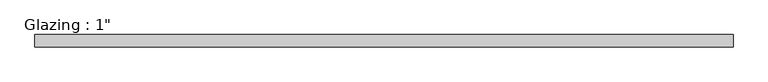
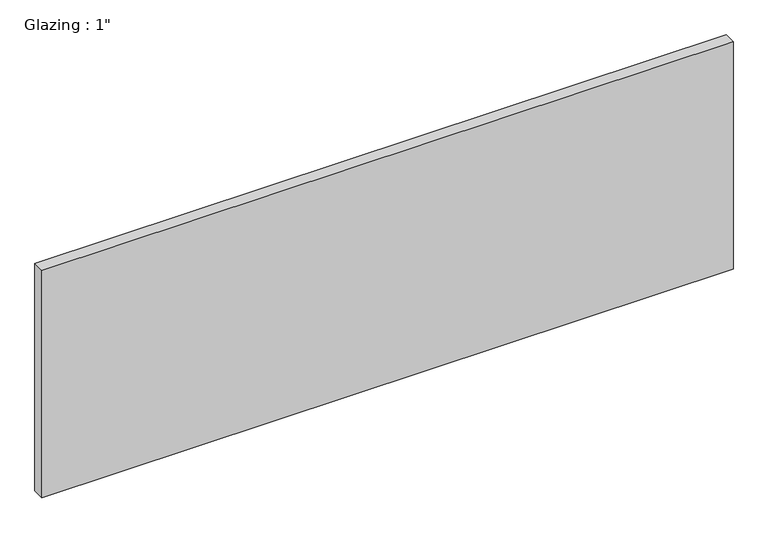
"""IFC4 building model written with IfcOpenShell, lengths in millimetres: plate geometry."""

from ifc_helpers import new_model, si_unit, origin, origin_with_axes, place, context, project, spatial, polyline, outline, extrude, source, transform, mapped, element, save


def plate_637cfe19(model_context):
    return source(origin(), model_context, "Body", "SweptSolid", [
        extrude(outline(polyline([(715.3949896, -12.7), (-715.3949896, -12.7), (-715.3949896, 12.7), (715.3949896, 12.7), (715.3949896, -12.7)])), origin_with_axes(), (0.0, 0.0, 1.0), 497.9851068),
    ])


if __name__ == "__main__":
    model = new_model("IFC4")
    model_context = context("Model", 3, world=origin())
    ifc_project = project(units=[si_unit("LENGTHUNIT", "METRE", prefix="MILLI")], contexts=[model_context])
    site = spatial("IfcSite", under=ifc_project)
    building = spatial("IfcBuilding", under=site)
    placement = place(None, origin())
    plate_shape = plate_637cfe19(model_context)
    element("IfcPlate", 1, ObjectType="Glazing : 1\"", at=placement, inside=building, context=model_context, shape_type="MappedRepresentation", body=[
        mapped(plate_shape, transform((0.0, 0.0, 0.0), x_axis=(1.0, 0.0, 0.0), y_axis=(0.0, 1.0, 0.0), z_axis=(0.0, 0.0, 1.0))),
    ])
    save(model, "model.ifc")
